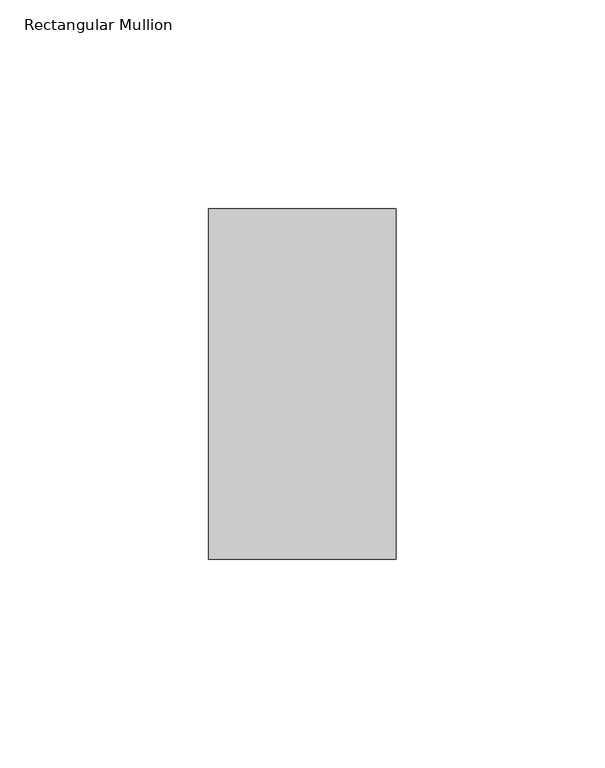
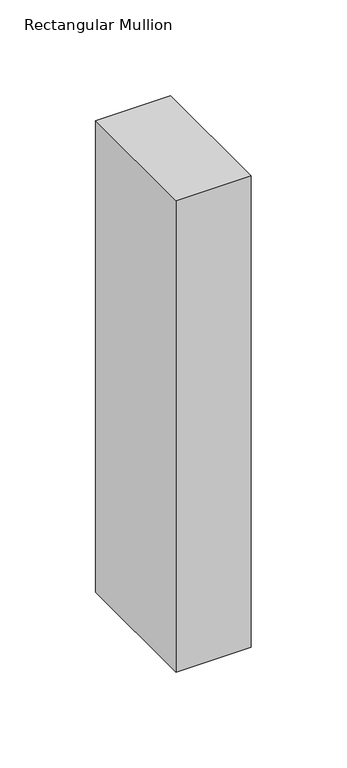
"""IFC4 building model written with IfcOpenShell, lengths in millimetres: member geometry, Rectangular Mullion."""

from ifc_helpers import new_model, si_unit, frame, origin, place, context, project, spatial, polyline, outline, extrude, source, transform, mapped, element, save


def rectangular_mullion_5de1db85(model_context):
    return source(origin(), model_context, "Body", "SweptSolid", [
        extrude(outline(polyline([(0.0, 42.0), (0.0, -42.0), (-45.0, -42.0), (-45.0, 42.0), (0.0, 42.0)])), frame((0.0, 0.0, -299.9999997), z_axis=(0.0, 0.0, 1.0), x_axis=(1.0, 0.0, 0.0)), (0.0, 0.0, 1.0), 299.9999997),
    ])


if __name__ == "__main__":
    model = new_model("IFC4")
    model_context = context("Model", 3, world=origin())
    ifc_project = project(units=[si_unit("LENGTHUNIT", "METRE", prefix="MILLI")], contexts=[model_context])
    site = spatial("IfcSite", under=ifc_project)
    building = spatial("IfcBuilding", under=site)
    placement = place(None, origin())
    rectangular_mullion_shape = rectangular_mullion_5de1db85(model_context)
    element("IfcMember", 1, ObjectType="Rectangular Mullion", at=placement, inside=building, context=model_context, shape_type="MappedRepresentation", body=[
        mapped(rectangular_mullion_shape, transform((0.0, 0.0, 0.0), x_axis=(1.0, 0.0, 0.0), y_axis=(0.0, 1.0, 0.0), z_axis=(0.0, 0.0, 1.0))),
    ])
    save(model, "model.ifc")
